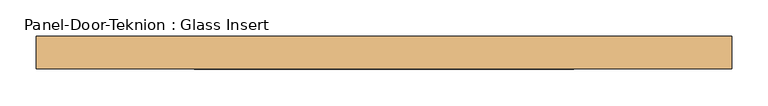
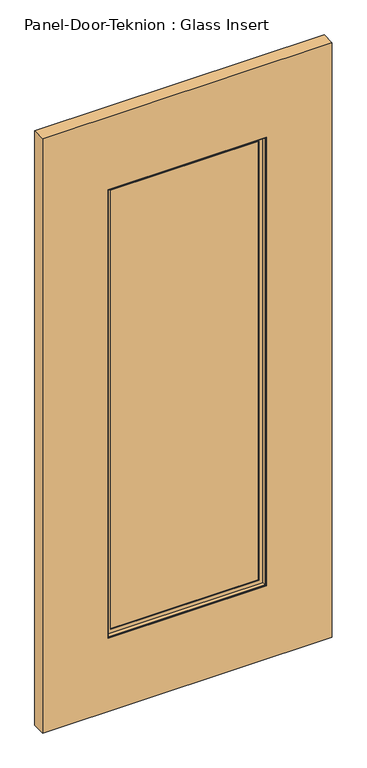
"""IFC4 building model written with IfcOpenShell, lengths in millimetres: door geometry, Panel-Door-Teknion : Glass Insert."""

import ifcopenshell
import ifcopenshell.guid

model = None  # the IFC model being written
_history = None  # IfcOwnerHistory: only IFC2X3 demands one
_inside = {}  # id of a spatial element -> (the spatial element, [elements in it])
_under = {}  # id of a project, library or spatial element -> (it, [spatial elements below it])
_declared = {}  # id of a project -> (the project, [libraries it declares])
_typed = {}  # id of a type object -> (the type object, [elements of that type])
_made_of = {}  # id of a material, layer set ... -> (it, [elements and type objects made of it])


def new_model(schema):
    """Start an empty IFC model of exactly this schema.

    Asked for "IFC4X3", IfcOpenShell would pick the latest addendum, in which some entities
    have other attributes; the version numbers below select the first issue.
    IFC2X3 requires an IfcOwnerHistory on every rooted entity: one is made here for all.
    """
    global model, _history
    if schema == "IFC4X3":
        model = ifcopenshell.file(schema_version=(4, 3, 0, 0))
    else:
        model = ifcopenshell.file(schema=schema)
    _inside.clear()
    _under.clear()
    _declared.clear()
    _typed.clear()
    _made_of.clear()
    _history = None
    if model.schema == "IFC2X3":
        org = make("IfcOrganization", Name="unknown")
        user = make(
            "IfcPersonAndOrganization",
            ThePerson=make("IfcPerson", FamilyName="unknown"),
            TheOrganization=org,
        )
        app = make(
            "IfcApplication",
            ApplicationDeveloper=org,
            Version="unknown",
            ApplicationFullName="unknown",
            ApplicationIdentifier="unknown",
        )
        _history = make(
            "IfcOwnerHistory",
            OwningUser=user,
            OwningApplication=app,
            ChangeAction="ADDED",
            CreationDate=0,
        )
    return model


def make(cls, **values):
    """One entity of the class cls with the attributes given. An attribute that is None is left unset."""
    return model.create_entity(
        cls, **{name: value for name, value in values.items() if value is not None}
    )


def rooted(cls, **values):
    """An entity with a GlobalId (a new one), such as an element, a storey or a relation."""
    return make(cls, GlobalId=ifcopenshell.guid.new(), OwnerHistory=_history, **values)


def si_unit(unit_type, name, prefix=None):
    """IfcSIUnit, for example si_unit("LENGTHUNIT", "METRE", prefix="MILLI")."""
    return make("IfcSIUnit", UnitType=unit_type, Prefix=prefix, Name=name)


def assignment(units):
    """IfcUnitAssignment: the units of a project."""
    return None if units is None else make("IfcUnitAssignment", Units=units)


def point(xyz):
    """IfcCartesianPoint."""
    return None if xyz is None else make("IfcCartesianPoint", Coordinates=xyz)


def direction(xyz):
    """IfcDirection."""
    return None if xyz is None else make("IfcDirection", DirectionRatios=xyz)


def frame(location, z_axis=None, x_axis=None):
    """IfcAxis2Placement3D, a coordinate frame: its origin and axes. An axis left out is left unset."""
    return make(
        "IfcAxis2Placement3D",
        Location=point(location),
        Axis=direction(z_axis),
        RefDirection=direction(x_axis),
    )


def origin():
    """The frame at (0, 0, 0) with its axes left unset."""
    return frame((0.0, 0.0, 0.0))


def place(relative_to, where):
    """IfcLocalPlacement: puts the frame where relative to a parent placement (None: the world)."""
    return make(
        "IfcLocalPlacement", PlacementRelTo=relative_to, RelativePlacement=where
    )


def context(
    kind, dimensions, precision=None, world=None, true_north=None, identifier=None
):
    """IfcGeometricRepresentationContext, for example the 3D "Model" context."""
    return make(
        "IfcGeometricRepresentationContext",
        ContextIdentifier=identifier,
        ContextType=kind,
        CoordinateSpaceDimension=dimensions,
        Precision=precision,
        WorldCoordinateSystem=world,
        TrueNorth=true_north,
    )


def project(units=None, contexts=None):
    """IfcProject with its units and contexts."""
    return rooted(
        "IfcProject",
        Name="project",
        RepresentationContexts=contexts,
        UnitsInContext=assignment(units),
    )


def spatial(cls, under=None, at=None, **own):
    """A site, building, storey or space (cls), placed at a placement, below another one or the project."""
    s = rooted(cls, ObjectPlacement=at, **own)
    if under is not None:
        _under.setdefault(under.id(), (under, []))[1].append(s)
    return s


def polyline(points):
    """IfcPolyline through the points."""
    return make("IfcPolyline", Points=[point(p) for p in points])


def outline(outer, holes=None, kind="AREA"):
    """IfcArbitraryClosedProfileDef: a profile drawn as a closed curve; with holes, ...WithVoids."""
    if holes is None:
        return make("IfcArbitraryClosedProfileDef", ProfileType=kind, OuterCurve=outer)
    return make(
        "IfcArbitraryProfileDefWithVoids",
        ProfileType=kind,
        OuterCurve=outer,
        InnerCurves=holes,
    )


def extrude(swept, where, along, depth):
    """IfcExtrudedAreaSolid: the profile swept, set in the frame where, extruded along a direction by depth."""
    return make(
        "IfcExtrudedAreaSolid",
        SweptArea=swept,
        Position=where,
        ExtrudedDirection=direction(along),
        Depth=depth,
    )


def faces_of(points, faces, orient=None, outer=None):
    """IfcFace entities. A face is a list of loops; a loop is a list of indices into points, from 0.

    orient and outer hold one flag for each loop. By default every Orientation is true, the
    first loop of a face is its IfcFaceOuterBound and the others are IfcFaceBound.
    """
    made = []
    for i, loops in enumerate(faces):
        bounds = []
        for j, loop in enumerate(loops):
            is_outer = j == 0 if outer is None else outer[i][j]
            bounds.append(
                make(
                    "IfcFaceOuterBound" if is_outer else "IfcFaceBound",
                    Bound=make("IfcPolyLoop", Polygon=[points[k] for k in loop]),
                    Orientation=True if orient is None else orient[i][j],
                )
            )
        made.append(make("IfcFace", Bounds=bounds))
    return made


def faceted_brep(points, faces, orient=None, outer=None, voids=None):
    """IfcFacetedBrep: a solid bounded by flat faces; with voids (closed shells), ...WithVoids."""
    shared = [point(p) for p in points]
    hull = make("IfcClosedShell", CfsFaces=faces_of(shared, faces, orient, outer))
    if voids is None:
        return make("IfcFacetedBrep", Outer=hull)
    return make(
        "IfcFacetedBrepWithVoids",
        Outer=hull,
        Voids=[
            make(cls, CfsFaces=faces_of(shared, fs, o, b)) for cls, fs, o, b in voids
        ],
    )


def shape(context_of_items, identifier, shape_type, items):
    """IfcShapeRepresentation: the items that make up one representation, for example the "Body"."""
    return make(
        "IfcShapeRepresentation",
        ContextOfItems=context_of_items,
        RepresentationIdentifier=identifier,
        RepresentationType=shape_type,
        Items=items,
    )


def source(mapping_origin, context_of_items, identifier, shape_type, items):
    """IfcRepresentationMap: a shape defined once, which mapped items show again and again."""
    return make(
        "IfcRepresentationMap",
        MappingOrigin=mapping_origin,
        MappedRepresentation=shape(context_of_items, identifier, shape_type, items),
    )


def transform(
    local_origin,
    x_axis=None,
    y_axis=None,
    z_axis=None,
    scale=None,
    scale2=None,
    scale3=None,
    uniform=True,
):
    """IfcCartesianTransformationOperator3D, or its non-uniform kind. x_axis, y_axis, z_axis: its Axis1, 2, 3."""
    if uniform:
        return make(
            "IfcCartesianTransformationOperator3D",
            Axis1=direction(x_axis),
            Axis2=direction(y_axis),
            LocalOrigin=point(local_origin),
            Scale=scale,
            Axis3=direction(z_axis),
        )
    return make(
        "IfcCartesianTransformationOperator3DnonUniform",
        Axis1=direction(x_axis),
        Axis2=direction(y_axis),
        LocalOrigin=point(local_origin),
        Scale=scale,
        Axis3=direction(z_axis),
        Scale2=scale2,
        Scale3=scale3,
    )


def mapped(mapping_source, mapping_target):
    """IfcMappedItem: shows the shape of a source again, moved by a transform."""
    return make(
        "IfcMappedItem", MappingSource=mapping_source, MappingTarget=mapping_target
    )


def made_of(thing, what):
    """Note that an element or type object is made of a material, layer set ...; save() writes the relation."""
    if what is not None:
        _made_of.setdefault(what.id(), (what, []))[1].append(thing)
    return thing


def element(
    cls,
    number,
    at=None,
    inside=None,
    cuts=None,
    type_object=None,
    material=None,
    context=None,
    identifier="Body",
    shape_type=None,
    held_by="IfcProductDefinitionShape",
    body=None,
    shapes=None,
    **own,
):
    """One element of the class cls, such as IfcWall. Its Tag is "e" and its number.

    at: its placement. inside: the storey or other place that contains it. cuts: it is an
    opening in that element (IfcRelVoidsElement). A single representation is given by context,
    identifier, shape_type and body (its items); several are given by shapes. held_by: the class
    of the entity that holds the representations. save() writes the other relations.
    """
    e = rooted(cls, Tag="e%d" % number, ObjectPlacement=at, **own)
    if body is not None:
        shapes = [shape(context, identifier, shape_type, body)]
    if shapes is not None:
        e.Representation = make(held_by, Representations=shapes)
    if inside is not None:
        _inside.setdefault(inside.id(), (inside, []))[1].append(e)
    if cuts is not None:
        rooted(
            "IfcRelVoidsElement", RelatingBuildingElement=cuts, RelatedOpeningElement=e
        )
    if type_object is not None:
        _typed.setdefault(type_object.id(), (type_object, []))[1].append(e)
    return made_of(e, material)


def aggregate(whole, parts):
    """IfcRelAggregates: a whole, such as a stair, and the parts it consists of."""
    return rooted("IfcRelAggregates", RelatingObject=whole, RelatedObjects=parts)


def save(model, path):
    """Write the relations noted so far, then the file.

    IfcRelAggregates (storeys below a building ...), IfcRelContainedInSpatialStructure (elements
    in a storey), IfcRelDefinesByType, IfcRelAssociatesMaterial and IfcRelDeclares: one each for
    every whole, place, type object, material and project.
    """
    for whole, parts in _under.values():
        aggregate(whole, parts)
    for where, things in _inside.values():
        rooted(
            "IfcRelContainedInSpatialStructure",
            RelatedElements=things,
            RelatingStructure=where,
        )
    for kind, things in _typed.values():
        rooted("IfcRelDefinesByType", RelatedObjects=things, RelatingType=kind)
    for what, things in _made_of.values():
        rooted("IfcRelAssociatesMaterial", RelatedObjects=things, RelatingMaterial=what)
    for by, libraries in _declared.values():
        rooted("IfcRelDeclares", RelatingContext=by, RelatedDefinitions=libraries)
    model.write(path)


def panel_door_teknion_glass_insert_eabc73e1(model_context):
    return source(origin(), model_context, "Body", "SolidModel", [
        extrude(outline(polyline([(260.3601562, -3.175), (-260.3601562, -3.175), (-260.3601562, 3.175), (260.3601562, 3.175), (260.3601562, -3.175)])), frame((0.0, 0.0, 266.7), z_axis=(0.0, 0.0, 1.0), x_axis=(1.0, 0.0, 0.0)), (0.0, 0.0, 1.0), 1558.2825997),
        faceted_brep([(-244.4695772, 3.797467, 1809.0920207), (-244.4695772, 3.797467, 282.590579), (-244.4695772, 6.9755828, 282.590579), (-244.4695772, 6.9755828, 1809.0920207), (244.4695772, 3.797467, 282.590579), (244.4695772, 6.9755828, 282.590579), (257.1820404, 6.9755828, 269.8781158), (-257.1820404, 6.9755828, 269.8781158), (-257.1820404, 6.9755828, 1821.8044839), (257.1820404, 6.9755828, 1821.8044839), (244.4695772, 6.9755828, 1809.0920207), (244.4695772, 3.797467, 1809.0920207), (-260.3601562, 3.797467, 266.7), (260.3601562, 3.797467, 266.7), (260.3601562, 3.797467, 1824.9825997), (-260.3601562, 3.797467, 1824.9825997), (-260.3601562, 19.688046, 1824.9825997), (-260.3601562, 19.688046, 266.7), (260.3601562, 19.688046, 266.7), (260.3601562, 19.688046, 1824.9825997), (-257.1820404, 19.688046, 269.8781158), (257.1820404, 19.688046, 269.8781158), (257.1820404, 19.688046, 1821.8044839), (-257.1820404, 19.688046, 1821.8044839)], [[[0, 1, 2, 3]], [[1, 4, 5, 2]], [[6, 7, 8, 9], [2, 5, 10, 3]], [[4, 11, 10, 5]], [[12, 13, 14, 15], [4, 1, 0, 11]], [[16, 17, 12, 15]], [[17, 18, 13, 12]], [[18, 19, 14, 13]], [[18, 17, 16, 19], [20, 21, 22, 23]], [[8, 7, 20, 23]], [[7, 6, 21, 20]], [[6, 9, 22, 21]], [[11, 0, 3, 10]], [[19, 16, 15, 14]], [[9, 8, 23, 22]]]),
        faceted_brep([(-257.1820404, -19.688046, 1821.8044839), (-257.1820404, -19.688046, 269.8781158), (-257.1820404, -6.9755828, 269.8781158), (-257.1820404, -6.9755828, 1821.8044839), (257.1820404, -19.688046, 269.8781158), (257.1820404, -6.9755828, 269.8781158), (257.1820404, -6.9755828, 1821.8044839), (244.4695772, -6.9755828, 282.590579), (-244.4695772, -6.9755828, 282.590579), (-244.4695772, -6.9755828, 1809.0920207), (244.4695772, -6.9755828, 1809.0920207), (257.1820404, -19.688046, 1821.8044839), (-260.3601562, -19.688046, 266.7), (260.3601562, -19.688046, 266.7), (260.3601562, -19.688046, 1824.9825997), (-260.3601562, -19.688046, 1824.9825997), (-260.3601562, -3.797467, 1824.9825997), (-260.3601562, -3.797467, 266.7), (260.3601562, -3.797467, 266.7), (260.3601562, -3.797467, 1824.9825997), (-244.4695772, -3.797467, 282.590579), (244.4695772, -3.797467, 282.590579), (244.4695772, -3.797467, 1809.0920207), (-244.4695772, -3.797467, 1809.0920207)], [[[0, 1, 2, 3]], [[1, 4, 5, 2]], [[2, 5, 6, 3], [7, 8, 9, 10]], [[4, 11, 6, 5]], [[12, 13, 14, 15], [4, 1, 0, 11]], [[16, 17, 12, 15]], [[17, 18, 13, 12]], [[18, 19, 14, 13]], [[18, 17, 16, 19], [20, 21, 22, 23]], [[9, 8, 20, 23]], [[8, 7, 21, 20]], [[7, 10, 22, 21]], [[11, 0, 3, 6]], [[19, 16, 15, 14]], [[10, 9, 23, 22]]]),
        extrude(outline(polyline([(2078.9825997, -476.2601562), (12.7, -476.2601562), (12.7, 476.2601562), (2078.9825997, 476.2601562), (2078.9825997, -476.2601562)]), holes=[polyline([(1824.9825997, 260.3601562), (266.7, 260.3601562), (266.7, -260.3601562), (1824.9825997, -260.3601562), (1824.9825997, 260.3601562)])]), frame((0.0, -22.225, 0.0), z_axis=(0.0, 1.0, 0.0), x_axis=(0.0, 0.0, 1.0)), (0.0, 0.0, 1.0), 44.45),
    ])


if __name__ == "__main__":
    model = new_model("IFC4")
    model_context = context("Model", 3, world=origin())
    ifc_project = project(units=[si_unit("LENGTHUNIT", "METRE", prefix="MILLI")], contexts=[model_context])
    site = spatial("IfcSite", under=ifc_project)
    building = spatial("IfcBuilding", under=site)
    placement = place(None, origin())
    panel_door_teknion_glass_insert_shape = panel_door_teknion_glass_insert_eabc73e1(model_context)
    element("IfcDoor", 1, ObjectType="Panel-Door-Teknion : Glass Insert", at=placement, inside=building, context=model_context, shape_type="MappedRepresentation", body=[
        mapped(panel_door_teknion_glass_insert_shape, transform((0.0, 0.0, 0.0), x_axis=(1.0, 0.0, 0.0), y_axis=(0.0, 1.0, 0.0), z_axis=(0.0, 0.0, 1.0))),
    ])
    save(model, "model.ifc")
